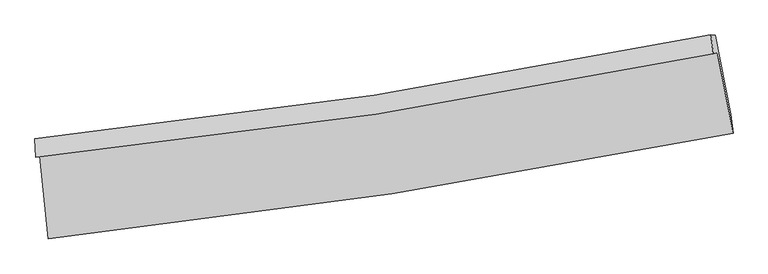
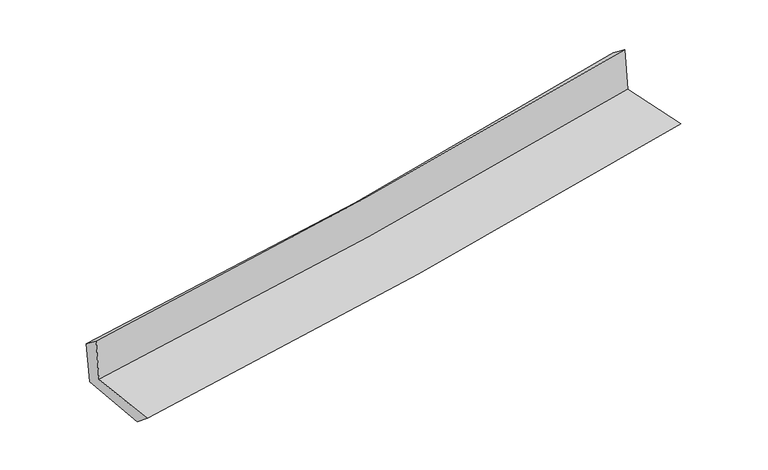
"""IFC4 building model written with IfcOpenShell, lengths in millimetres: proxy geometry."""

from ifc_helpers import new_model, si_unit, frame, origin, place, context, project, spatial, source, transform, mapped, element, save
from ifc_brep_helpers import plane_surface, spline_curve, spline_surface, advanced_brep


def generic_models_ee77c46e(model_context):
    return source(origin(), model_context, "Body", "AdvancedBrep", [
        advanced_brep(
        [(-2763.455126, -1899.6260103, 1649.7795912), (-2693.0779696, -2566.4094069, 1640.5173378), (2838.4815836, -1711.2845151, 2127.0294421), (2711.9911657, -1060.9308637, 2122.6237534), (-2795.4232504, -1908.4970475, 2045.4969743), (2678.8418845, -1070.1296676, 2532.9620856), (-2801.8361609, -1755.9467181, 1931.065034), (2659.3187312, -918.7671796, 2415.4939341), (-2769.5068144, -1758.4255061, 1545.2557476), (2693.0173333, -921.1281829, 2025.1850164), (-2698.5665017, -2413.7341537, 1514.8082331), (2819.3755311, -1557.8699171, 1999.9625845)],
        [
            (0, 1),
            (1, 2, spline_curve(3, [(-2693.0779696, -2566.4094069, 1640.5173378), (-1766.254899289, -2466.963955255, 1727.56855693), (-842.150868092, -2346.035636193, 1811.614660197), (1001.708751, -2061.044847101, 1973.792473351), (1921.457904399, -1896.931535634, 2051.917071847), (2838.4815836, -1711.2845151, 2127.0294421)], [4, 2, 4], [0.0, 9.166009268727338, 18.342858313899193])),
            (2, 3),
            (3, 0, spline_curve(3, [(2711.9911657, -1060.9308637, 2122.6237534), (1805.405746365, -1247.29919344, 2052.722585354), (895.554272233, -1410.402182098, 1978.342390357), (-929.602203014, -1689.912301217, 1820.717094265), (-1844.899492655, -1806.374361095, 1737.482568891), (-2763.455126, -1899.6260103, 1649.7795912)], [4, 2, 4], [0.0, 9.176849045171855, 18.342858313899193])),
            (4, 0),
            (3, 5),
            (5, 4, spline_curve(3, [(2678.8418845, -1070.1296676, 2532.9620856), (1772.310157186, -1256.48309785, 2462.396291533), (862.584059181, -1419.551295503, 2386.464126409), (-962.178527931, -1698.952111804, 2223.963086151), (-1877.207474967, -1815.339707594, 2137.406880284), (-2795.4232504, -1908.4970475, 2045.4969743)], [4, 2, 4], [0.0, 9.128874475160483, 18.246965841869066])),
            (6, 4),
            (5, 7),
            (7, 6, spline_curve(3, [(2659.3187312, -918.7671796, 2415.4939341), (1756.214414283, -1104.470174693, 2332.543610177), (849.294820654, -1267.114242898, 2250.67615631), (-971.099151053, -1546.119646481, 2089.202412965), (-1884.564521713, -1662.535424378, 2009.59356675), (-2801.8361609, -1755.9467181, 1931.065034)], [4, 2, 4], [0.0, 9.117826081631629, 18.224882105272943])),
            (8, 6),
            (7, 9),
            (9, 8, spline_curve(3, [(2693.0173333, -921.1281829, 2025.1850164), (1789.251025842, -1106.829827392, 1947.893574079), (881.886393183, -1269.483047825, 1869.229301688), (-938.963484962, -1548.527737937, 1709.249637656), (-1852.440234862, -1664.973625212, 1627.937487025), (-2769.5068144, -1758.4255061, 1545.2557476)], [4, 2, 4], [0.0, 9.107615077589479, 18.20447215851825])),
            (10, 8),
            (9, 11),
            (11, 10, spline_curve(3, [(2819.3755311, -1557.8699171, 1999.9625845), (1905.189603237, -1743.929914533, 1921.873788885), (987.994622251, -1908.311277546, 1842.375136952), (-851.326493387, -2193.548172511, 1680.653691303), (-1773.445522928, -2314.454888659, 1598.434225875), (-2698.5665017, -2413.7341537, 1514.8082331)], [4, 2, 4], [0.0, 9.155658635440204, 18.30050252473803])),
            (1, 10),
            (11, 2),
        ],
        [
            spline_surface(3, 3, [[(-2763.455126, -1899.6260103, 1649.7795912), (-1844.899492761, -1806.374361117, 1737.482568869), (-929.602202959, -1689.912301089, 1820.717094403), (895.554272178, -1410.402182226, 1978.342390218), (1805.405746261, -1247.299193374, 2052.722585425), (2711.9911657, -1060.9308637, 2122.6237534)], [(-2739.996073883, -2121.887142525, 1646.692173403), (-1818.684628301, -2026.570892502, 1734.177898254), (-900.451758036, -1908.62007944, 1817.682949647), (930.939098499, -1627.28307052, 1976.82575131), (1844.089798958, -1463.843307449, 2052.454080888), (2754.154638335, -1277.715414172, 2124.092316295)], [(-2716.537021717, -2344.148274675, 1643.604755597), (-1792.469763793, -2246.767423811, 1730.873227628), (-871.301313135, -2127.327857814, 1814.64880485), (966.323924799, -1844.163958835, 1975.309112362), (1882.77385165, -1680.387421509, 2052.185576366), (2796.318110965, -1494.499964628, 2125.560879205)], [(-2693.0779696, -2566.4094069, 1640.5173378), (-1766.254899333, -2466.963955195, 1727.568557013), (-842.150868212, -2346.035636166, 1811.614660093), (1001.70875112, -2061.044847128, 1973.792473454), (1921.457904347, -1896.931535584, 2051.91707183), (2838.4815836, -1711.2845151, 2127.0294421)]], [4, 4], [4, 2, 4], [0.0, 2.1671546079574084], [0.0, 9.166009268727338, 18.342858313899193]),
            spline_surface(3, 3, [[(-2795.4232504, -1908.4970475, 2045.4969743), (-1877.207474889, -1815.33970759, 2137.40688039), (-962.178527836, -1698.952111817, 2223.963086014), (862.584059086, -1419.55129549, 2386.464126546), (1772.310157051, -1256.483097944, 2462.396291403), (2678.8418845, -1070.1296676, 2532.9620856)], [(-2784.767208948, -1905.540035079, 1913.591179932), (-1866.438147527, -1812.351258744, 2004.098776548), (-951.3197529, -1695.938841598, 2089.547755487), (873.574130094, -1416.501591092, 2250.42354778), (1783.34202014, -1253.421796396, 2325.838389429), (2689.891644919, -1067.063399609, 2396.182641552)], [(-2774.111167452, -1902.583022721, 1781.685385568), (-1855.668820122, -1809.362809963, 1870.790672711), (-940.460977895, -1692.925571308, 1955.13242493), (884.56420117, -1413.451886625, 2114.382968984), (1794.373883172, -1250.360494921, 2189.280487399), (2700.941405281, -1063.997131691, 2259.403197448)], [(-2763.455126, -1899.6260103, 1649.7795912), (-1844.899492761, -1806.374361117, 1737.482568869), (-929.602202959, -1689.912301089, 1820.717094403), (895.554272178, -1410.402182226, 1978.342390218), (1805.405746261, -1247.299193374, 2052.722585425), (2711.9911657, -1060.9308637, 2122.6237534)]], [4, 4], [4, 2, 4], [0.0, 1.3356627105609429], [0.0, 9.118091366708583, 18.246965841869066]),
            spline_surface(3, 3, [[(-2801.8361609, -1755.9467181, 1931.065034), (-1884.564521697, -1662.535424401, 2009.593566679), (-971.099151191, -1546.119646446, 2089.202412964), (849.294820793, -1267.114242932, 2250.676156311), (1756.214414328, -1104.470174715, 2332.543610069), (2659.3187312, -918.7671796, 2415.4939341)], [(-2799.698524044, -1806.79682791, 1969.209014113), (-1882.112172738, -1713.470185474, 2052.198004596), (-968.125610074, -1597.063801555, 2134.12263729), (853.72456689, -1317.92659377, 2295.938813032), (1761.579661904, -1155.141149141, 2375.827837173), (2665.826448968, -969.221342283, 2454.649984593)], [(-2797.560887256, -1857.64693769, 2007.352994187), (-1879.659823847, -1764.404946518, 2094.802442473), (-965.152068954, -1648.007956709, 2179.042861687), (858.154312989, -1368.738944653, 2341.201469825), (1766.944909476, -1205.812123518, 2419.112064299), (2672.334166732, -1019.675504917, 2493.806035107)], [(-2795.4232504, -1908.4970475, 2045.4969743), (-1877.207474889, -1815.33970759, 2137.40688039), (-962.178527836, -1698.952111817, 2223.963086014), (862.584059086, -1419.55129549, 2386.464126546), (1772.310157051, -1256.483097944, 2462.396291403), (2678.8418845, -1070.1296676, 2532.9620856)]], [4, 4], [4, 2, 4], [0.0, 0.6701269451994338], [0.0, 9.107056023641315, 18.224882105272943]),
            spline_surface(3, 3, [[(-2769.5068144, -1758.4255061, 1545.2557476), (-1852.440234906, -1664.97362512, 1627.937487006), (-938.963485038, -1548.52773782, 1709.249637557), (881.886393259, -1269.483047942, 1869.229301786), (1789.251025952, -1106.829827503, 1947.893574143), (2693.0173333, -921.1281829, 2025.1850164)], [(-2780.283263225, -1757.599243421, 1673.858843082), (-1863.148330494, -1664.160891535, 1755.156180246), (-949.675373749, -1547.725040711, 1835.900562692), (871.022535777, -1268.693446288, 1996.378253293), (1778.23882208, -1106.043276562, 2076.110252783), (2681.784465936, -920.341181788, 2155.287988965)], [(-2791.059712075, -1756.772980779, 1802.461938518), (-1873.856426109, -1663.348157986, 1882.37487344), (-960.38726248, -1546.922343555, 1962.551487829), (860.158678275, -1267.903844586, 2123.527204804), (1767.2266182, -1105.256725656, 2204.326931428), (2670.551598564, -919.554180712, 2285.390961535)], [(-2801.8361609, -1755.9467181, 1931.065034), (-1884.564521697, -1662.535424401, 2009.593566679), (-971.099151191, -1546.119646446, 2089.202412964), (849.294820793, -1267.114242932, 2250.676156311), (1756.214414328, -1104.470174715, 2332.543610069), (2659.3187312, -918.7671796, 2415.4939341)]], [4, 4], [4, 2, 4], [0.0, 1.253547698421818], [0.0, 9.096857080928771, 18.20447215851825]),
            spline_surface(3, 3, [[(-2698.5665017, -2413.7341537, 1514.8082331), (-1773.445523074, -2314.454888547, 1598.434225829), (-851.326493252, -2193.548172583, 1680.653691214), (987.994622115, -1908.311277473, 1842.375137041), (1905.189603244, -1743.929914553, 1921.873788807), (2819.3755311, -1557.8699171, 1999.9625845)], [(-2722.213272613, -2195.297937841, 1524.957404569), (-1799.777093698, -2097.961134079, 1608.26864619), (-880.538823851, -1978.541360971, 1690.185673332), (952.625212493, -1695.368534272, 1851.326525292), (1866.543410812, -1531.563218871, 1930.547050576), (2777.256131831, -1345.622672368, 2008.370061791)], [(-2745.860043487, -1976.861721959, 1535.106576131), (-1826.108664282, -1881.467379588, 1618.103066644), (-909.751154439, -1763.534549432, 1699.71765544), (917.255802881, -1482.425791144, 1860.277913535), (1827.897218385, -1319.196523185, 1939.220312373), (2735.136732569, -1133.375427632, 2016.777539109)], [(-2769.5068144, -1758.4255061, 1545.2557476), (-1852.440234906, -1664.97362512, 1627.937487006), (-938.963485038, -1548.52773782, 1709.249637557), (881.886393259, -1269.483047942, 1869.229301786), (1789.251025952, -1106.829827503, 1947.893574143), (2693.0173333, -921.1281829, 2025.1850164)]], [4, 4], [4, 2, 4], [0.0, 2.131832082002194], [0.0, 9.144843889297825, 18.30050252473803]),
            spline_surface(3, 3, [[(-2693.0779696, -2566.4094069, 1640.5173378), (-1766.254899333, -2466.963955195, 1727.568557013), (-842.150868212, -2346.035636166, 1811.614660093), (1001.70875112, -2061.044847128, 1973.792473454), (1921.457904347, -1896.931535584, 2051.91707183), (2838.4815836, -1711.2845151, 2127.0294421)], [(-2694.907480287, -2515.517655824, 1598.614302901), (-1768.651773901, -2416.127599637, 1684.523779953), (-845.209409879, -2295.206481646, 1767.961003799), (997.137374798, -2010.133657251, 1929.986694648), (1916.035137291, -1845.930995253, 2008.569310826), (2832.112899412, -1660.146315779, 2084.673822904)], [(-2696.736991013, -2464.625904776, 1556.711267999), (-1771.048648506, -2365.291244106, 1641.479002889), (-848.267951585, -2244.377327103, 1724.307347509), (992.565998438, -1959.22246735, 1886.180915847), (1910.6123703, -1794.930454884, 1965.221549811), (2825.744215288, -1609.008116421, 2042.318203696)], [(-2698.5665017, -2413.7341537, 1514.8082331), (-1773.445523074, -2314.454888547, 1598.434225829), (-851.326493252, -2193.548172583, 1680.653691214), (987.994622115, -1908.311277473, 1842.375137041), (1905.189603244, -1743.929914553, 1921.873788807), (2819.3755311, -1557.8699171, 1999.9625845)]], [4, 4], [4, 2, 4], [0.0, 0.6613291518800591], [0.0, 9.203024775700541, 18.416933102601746]),
            plane_surface(frame((2733.5043716, -1206.6850543, 2203.876136), z_axis=(0.978089295395755, 0.19079755123060133, 0.08329240467558667), x_axis=(-0.08601671396344578, 0.006026533325320026, 0.9962754668338519))),
            plane_surface(frame((-2753.6443038, -2050.4398071, 1721.1538197), z_axis=(-0.9912133538862602, -0.10347530161734869, -0.08239507893527756), x_axis=(-0.10495419683461531, 0.9943811243489578, 0.013812896340144633))),
        ],
        [
            (0, [[1, 2, 3, 4]]),
            (1, [[5, -4, 6, 7]]),
            (2, [[8, -7, 9, 10]]),
            (3, [[11, -10, 12, 13]]),
            (4, [[14, -13, 15, 16]]),
            (5, [[17, -16, 18, -2]]),
            (6, [[-12, -9, -6, -3, -18, -15]]),
            (7, [[-1, -5, -8, -11, -14, -17]]),
        ],
    ),
    ])


if __name__ == "__main__":
    model = new_model("IFC4")
    model_context = context("Model", 3, world=origin())
    ifc_project = project(units=[si_unit("LENGTHUNIT", "METRE", prefix="MILLI")], contexts=[model_context])
    site = spatial("IfcSite", under=ifc_project)
    building = spatial("IfcBuilding", under=site)
    placement = place(None, origin())
    generic_models_shape = generic_models_ee77c46e(model_context)
    element("IfcBuildingElementProxy", 1, Name="Generic Models", at=placement, inside=building, context=model_context, shape_type="MappedRepresentation", body=[
        mapped(generic_models_shape, transform((0.0, 0.0, 0.0), x_axis=(1.0, 0.0, 0.0), y_axis=(0.0, 1.0, 0.0), z_axis=(0.0, 0.0, 1.0))),
    ])
    save(model, "model.ifc")
